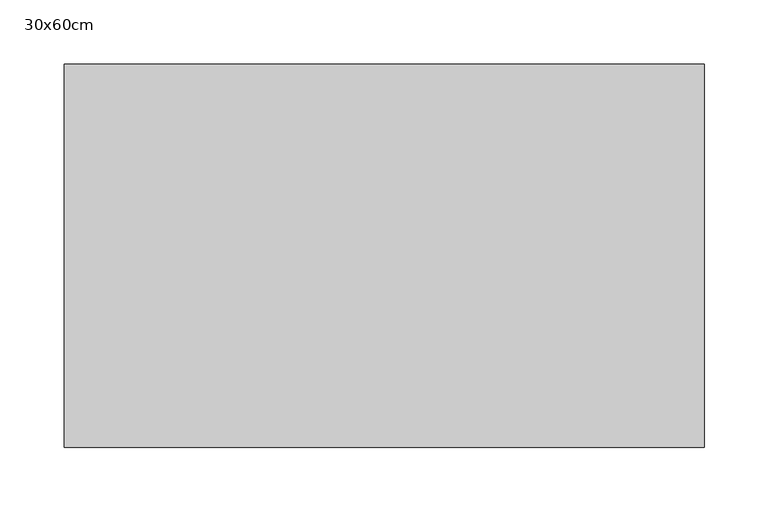
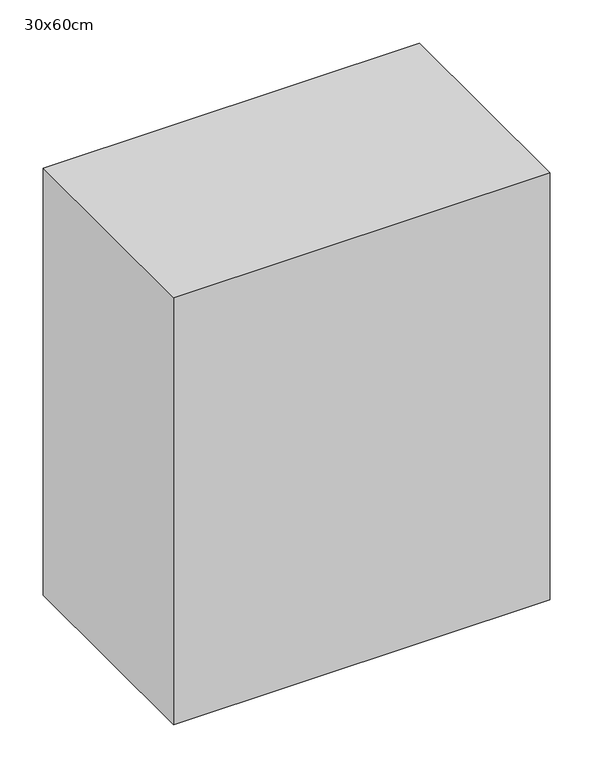
"""IFC4 building model written with IfcOpenShell, lengths in millimetres: proxy geometry, 30x60cm."""

from ifc_helpers import new_model, si_unit, frame, origin, place, context, project, spatial, polyline, outline, extrude, source, transform, mapped, element, save


def proxy_30x60cm_52ccd378(model_context):
    return source(origin(), model_context, "Body", "SweptSolid", [
        extrude(outline(polyline([(500.0, 300.0), (500.0, 0.0), (0.0, 0.0), (0.0, 300.0), (500.0, 300.0)])), frame((0.0, 0.0, 1300.0), z_axis=(0.0, 0.0, 1.0), x_axis=(1.0, 0.0, 0.0)), (0.0, 0.0, 1.0), 600.0),
    ])


if __name__ == "__main__":
    model = new_model("IFC4")
    model_context = context("Model", 3, world=origin())
    ifc_project = project(units=[si_unit("LENGTHUNIT", "METRE", prefix="MILLI")], contexts=[model_context])
    site = spatial("IfcSite", under=ifc_project)
    building = spatial("IfcBuilding", under=site)
    placement = place(None, origin())
    proxy_30x60cm_shape = proxy_30x60cm_52ccd378(model_context)
    element("IfcBuildingElementProxy", 1, Name="30x60cm", ObjectType="30x60cm", at=placement, inside=building, context=model_context, shape_type="MappedRepresentation", body=[
        mapped(proxy_30x60cm_shape, transform((0.0, 0.0, 0.0), x_axis=(1.0, 0.0, 0.0), y_axis=(0.0, 1.0, 0.0), z_axis=(0.0, 0.0, 1.0))),
    ])
    save(model, "model.ifc")
